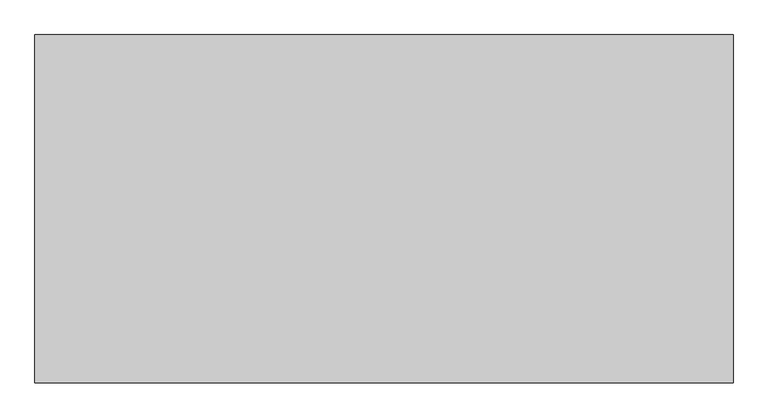
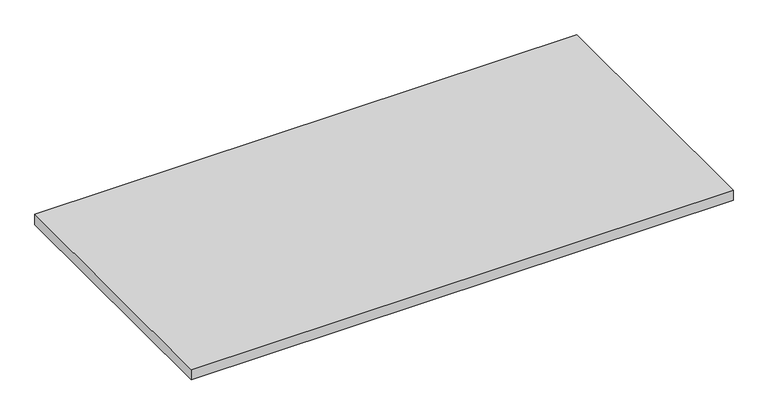
"""IFC4 building model written with IfcOpenShell, lengths in millimetres: furniture geometry."""

from ifc_helpers import new_model, si_unit, frame, origin, place, context, project, spatial, polyline, outline, extrude, source, transform, mapped, element, save


def furniture_dc15b37f(model_context):
    return source(origin(), model_context, "Body", "SweptSolid", [
        extrude(outline(polyline([(1371.5999999, -3.0467299), (1371.5999999, -762.0), (-149.2249999, -762.0), (-149.2249999, -3.0467299), (1371.5999999, -3.0467299)])), frame((0.0, 0.0, 839.978), z_axis=(0.0, 0.0, 1.0), x_axis=(1.0, 0.0, 0.0)), (0.0, 0.0, 1.0), 29.972),
    ])


if __name__ == "__main__":
    model = new_model("IFC4")
    model_context = context("Model", 3, world=origin())
    ifc_project = project(units=[si_unit("LENGTHUNIT", "METRE", prefix="MILLI")], contexts=[model_context])
    site = spatial("IfcSite", under=ifc_project)
    building = spatial("IfcBuilding", under=site)
    placement = place(None, origin())
    furniture_shape = furniture_dc15b37f(model_context)
    element("IfcFurniture", 1, at=placement, inside=building, context=model_context, shape_type="MappedRepresentation", body=[
        mapped(furniture_shape, transform((0.0, 0.0, 0.0), x_axis=(1.0, 0.0, 0.0), y_axis=(0.0, 1.0, 0.0), z_axis=(0.0, 0.0, 1.0))),
    ])
    save(model, "model.ifc")
